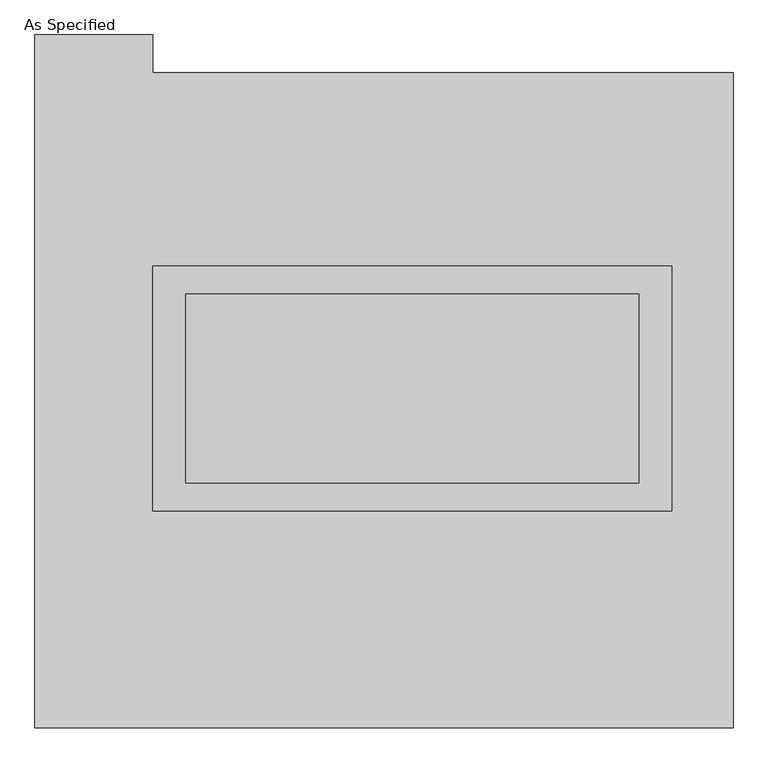
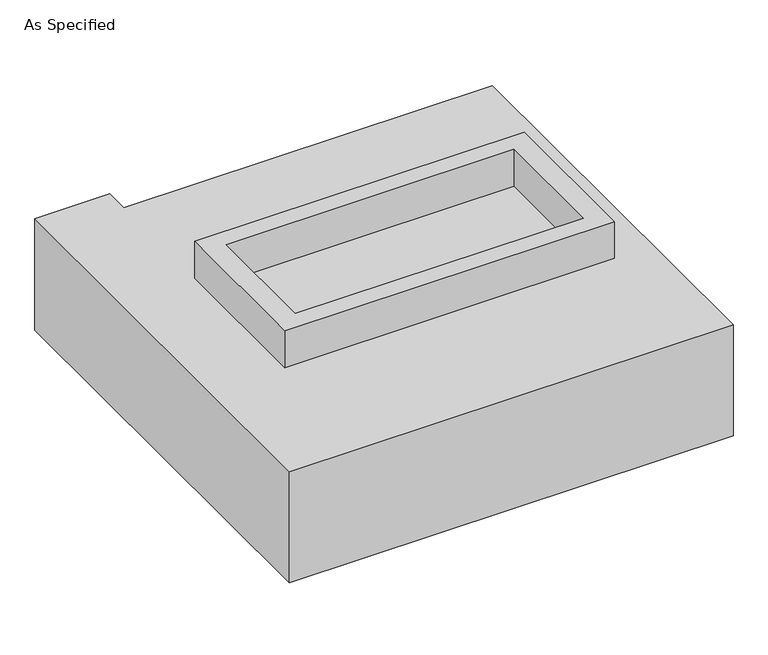
"""IFC4 building model written with IfcOpenShell, lengths in millimetres: proxy geometry, As Specified."""

import ifcopenshell
import ifcopenshell.guid

model = None  # the IFC model being written
_history = None  # IfcOwnerHistory: only IFC2X3 demands one
_inside = {}  # id of a spatial element -> (the spatial element, [elements in it])
_under = {}  # id of a project, library or spatial element -> (it, [spatial elements below it])
_declared = {}  # id of a project -> (the project, [libraries it declares])
_typed = {}  # id of a type object -> (the type object, [elements of that type])
_made_of = {}  # id of a material, layer set ... -> (it, [elements and type objects made of it])


def new_model(schema):
    """Start an empty IFC model of exactly this schema.

    Asked for "IFC4X3", IfcOpenShell would pick the latest addendum, in which some entities
    have other attributes; the version numbers below select the first issue.
    IFC2X3 requires an IfcOwnerHistory on every rooted entity: one is made here for all.
    """
    global model, _history
    if schema == "IFC4X3":
        model = ifcopenshell.file(schema_version=(4, 3, 0, 0))
    else:
        model = ifcopenshell.file(schema=schema)
    _inside.clear()
    _under.clear()
    _declared.clear()
    _typed.clear()
    _made_of.clear()
    _history = None
    if model.schema == "IFC2X3":
        org = make("IfcOrganization", Name="unknown")
        user = make(
            "IfcPersonAndOrganization",
            ThePerson=make("IfcPerson", FamilyName="unknown"),
            TheOrganization=org,
        )
        app = make(
            "IfcApplication",
            ApplicationDeveloper=org,
            Version="unknown",
            ApplicationFullName="unknown",
            ApplicationIdentifier="unknown",
        )
        _history = make(
            "IfcOwnerHistory",
            OwningUser=user,
            OwningApplication=app,
            ChangeAction="ADDED",
            CreationDate=0,
        )
    return model


def make(cls, **values):
    """One entity of the class cls with the attributes given. An attribute that is None is left unset."""
    return model.create_entity(
        cls, **{name: value for name, value in values.items() if value is not None}
    )


def rooted(cls, **values):
    """An entity with a GlobalId (a new one), such as an element, a storey or a relation."""
    return make(cls, GlobalId=ifcopenshell.guid.new(), OwnerHistory=_history, **values)


def si_unit(unit_type, name, prefix=None):
    """IfcSIUnit, for example si_unit("LENGTHUNIT", "METRE", prefix="MILLI")."""
    return make("IfcSIUnit", UnitType=unit_type, Prefix=prefix, Name=name)


def assignment(units):
    """IfcUnitAssignment: the units of a project."""
    return None if units is None else make("IfcUnitAssignment", Units=units)


def point(xyz):
    """IfcCartesianPoint."""
    return None if xyz is None else make("IfcCartesianPoint", Coordinates=xyz)


def direction(xyz):
    """IfcDirection."""
    return None if xyz is None else make("IfcDirection", DirectionRatios=xyz)


def frame(location, z_axis=None, x_axis=None):
    """IfcAxis2Placement3D, a coordinate frame: its origin and axes. An axis left out is left unset."""
    return make(
        "IfcAxis2Placement3D",
        Location=point(location),
        Axis=direction(z_axis),
        RefDirection=direction(x_axis),
    )


def origin():
    """The frame at (0, 0, 0) with its axes left unset."""
    return frame((0.0, 0.0, 0.0))


def place(relative_to, where):
    """IfcLocalPlacement: puts the frame where relative to a parent placement (None: the world)."""
    return make(
        "IfcLocalPlacement", PlacementRelTo=relative_to, RelativePlacement=where
    )


def context(
    kind, dimensions, precision=None, world=None, true_north=None, identifier=None
):
    """IfcGeometricRepresentationContext, for example the 3D "Model" context."""
    return make(
        "IfcGeometricRepresentationContext",
        ContextIdentifier=identifier,
        ContextType=kind,
        CoordinateSpaceDimension=dimensions,
        Precision=precision,
        WorldCoordinateSystem=world,
        TrueNorth=true_north,
    )


def project(units=None, contexts=None):
    """IfcProject with its units and contexts."""
    return rooted(
        "IfcProject",
        Name="project",
        RepresentationContexts=contexts,
        UnitsInContext=assignment(units),
    )


def spatial(cls, under=None, at=None, **own):
    """A site, building, storey or space (cls), placed at a placement, below another one or the project."""
    s = rooted(cls, ObjectPlacement=at, **own)
    if under is not None:
        _under.setdefault(under.id(), (under, []))[1].append(s)
    return s


def polyline(points):
    """IfcPolyline through the points."""
    return make("IfcPolyline", Points=[point(p) for p in points])


def outline(outer, holes=None, kind="AREA"):
    """IfcArbitraryClosedProfileDef: a profile drawn as a closed curve; with holes, ...WithVoids."""
    if holes is None:
        return make("IfcArbitraryClosedProfileDef", ProfileType=kind, OuterCurve=outer)
    return make(
        "IfcArbitraryProfileDefWithVoids",
        ProfileType=kind,
        OuterCurve=outer,
        InnerCurves=holes,
    )


def extrude(swept, where, along, depth):
    """IfcExtrudedAreaSolid: the profile swept, set in the frame where, extruded along a direction by depth."""
    return make(
        "IfcExtrudedAreaSolid",
        SweptArea=swept,
        Position=where,
        ExtrudedDirection=direction(along),
        Depth=depth,
    )


def shape(context_of_items, identifier, shape_type, items):
    """IfcShapeRepresentation: the items that make up one representation, for example the "Body"."""
    return make(
        "IfcShapeRepresentation",
        ContextOfItems=context_of_items,
        RepresentationIdentifier=identifier,
        RepresentationType=shape_type,
        Items=items,
    )


def source(mapping_origin, context_of_items, identifier, shape_type, items):
    """IfcRepresentationMap: a shape defined once, which mapped items show again and again."""
    return make(
        "IfcRepresentationMap",
        MappingOrigin=mapping_origin,
        MappedRepresentation=shape(context_of_items, identifier, shape_type, items),
    )


def transform(
    local_origin,
    x_axis=None,
    y_axis=None,
    z_axis=None,
    scale=None,
    scale2=None,
    scale3=None,
    uniform=True,
):
    """IfcCartesianTransformationOperator3D, or its non-uniform kind. x_axis, y_axis, z_axis: its Axis1, 2, 3."""
    if uniform:
        return make(
            "IfcCartesianTransformationOperator3D",
            Axis1=direction(x_axis),
            Axis2=direction(y_axis),
            LocalOrigin=point(local_origin),
            Scale=scale,
            Axis3=direction(z_axis),
        )
    return make(
        "IfcCartesianTransformationOperator3DnonUniform",
        Axis1=direction(x_axis),
        Axis2=direction(y_axis),
        LocalOrigin=point(local_origin),
        Scale=scale,
        Axis3=direction(z_axis),
        Scale2=scale2,
        Scale3=scale3,
    )


def mapped(mapping_source, mapping_target):
    """IfcMappedItem: shows the shape of a source again, moved by a transform."""
    return make(
        "IfcMappedItem", MappingSource=mapping_source, MappingTarget=mapping_target
    )


def made_of(thing, what):
    """Note that an element or type object is made of a material, layer set ...; save() writes the relation."""
    if what is not None:
        _made_of.setdefault(what.id(), (what, []))[1].append(thing)
    return thing


def element(
    cls,
    number,
    at=None,
    inside=None,
    cuts=None,
    type_object=None,
    material=None,
    context=None,
    identifier="Body",
    shape_type=None,
    held_by="IfcProductDefinitionShape",
    body=None,
    shapes=None,
    **own,
):
    """One element of the class cls, such as IfcWall. Its Tag is "e" and its number.

    at: its placement. inside: the storey or other place that contains it. cuts: it is an
    opening in that element (IfcRelVoidsElement). A single representation is given by context,
    identifier, shape_type and body (its items); several are given by shapes. held_by: the class
    of the entity that holds the representations. save() writes the other relations.
    """
    e = rooted(cls, Tag="e%d" % number, ObjectPlacement=at, **own)
    if body is not None:
        shapes = [shape(context, identifier, shape_type, body)]
    if shapes is not None:
        e.Representation = make(held_by, Representations=shapes)
    if inside is not None:
        _inside.setdefault(inside.id(), (inside, []))[1].append(e)
    if cuts is not None:
        rooted(
            "IfcRelVoidsElement", RelatingBuildingElement=cuts, RelatedOpeningElement=e
        )
    if type_object is not None:
        _typed.setdefault(type_object.id(), (type_object, []))[1].append(e)
    return made_of(e, material)


def aggregate(whole, parts):
    """IfcRelAggregates: a whole, such as a stair, and the parts it consists of."""
    return rooted("IfcRelAggregates", RelatingObject=whole, RelatedObjects=parts)


def save(model, path):
    """Write the relations noted so far, then the file.

    IfcRelAggregates (storeys below a building ...), IfcRelContainedInSpatialStructure (elements
    in a storey), IfcRelDefinesByType, IfcRelAssociatesMaterial and IfcRelDeclares: one each for
    every whole, place, type object, material and project.
    """
    for whole, parts in _under.values():
        aggregate(whole, parts)
    for where, things in _inside.values():
        rooted(
            "IfcRelContainedInSpatialStructure",
            RelatedElements=things,
            RelatingStructure=where,
        )
    for kind, things in _typed.values():
        rooted("IfcRelDefinesByType", RelatedObjects=things, RelatingType=kind)
    for what, things in _made_of.values():
        rooted("IfcRelAssociatesMaterial", RelatedObjects=things, RelatingMaterial=what)
    for by, libraries in _declared.values():
        rooted("IfcRelDeclares", RelatingContext=by, RelatedDefinitions=libraries)
    model.write(path)


def as_specified_00d7b917(model_context):
    return source(origin(), model_context, "Body", "SweptSolid", [
        extrude(outline(polyline([(698.5, 361.95), (698.5, -298.45), (-698.5, -298.45), (-698.5, 361.95), (698.5, 361.95)]), holes=[polyline([(609.6, 285.75), (-609.6, 285.75), (-609.6, -222.25), (609.6, -222.25), (609.6, 285.75)])]), frame((0.0, 0.0, -688.975), z_axis=(0.0, 0.0, 1.0), x_axis=(1.0, 0.0, 0.0)), (0.0, 0.0, 1.0), 165.1),
        extrude(outline(polyline([(698.5, 361.95), (698.5, -298.45), (-698.5, -298.45), (-698.5, 361.95), (698.5, 361.95)]), holes=[polyline([(609.6, 285.75), (-609.6, 285.75), (-609.6, -222.25), (609.6, -222.25), (609.6, 285.75)])]), frame((0.0, 0.0, -25.4), z_axis=(0.0, 0.0, 1.0), x_axis=(1.0, 0.0, 0.0)), (0.0, 0.0, 1.0), 165.1),
        extrude(outline(polyline([(609.6, 285.75), (609.6, -222.25), (-609.6, -222.25), (-609.6, 285.75), (609.6, 285.75)])), frame((0.0, 0.0, -523.875), z_axis=(0.0, 0.0, 1.0), x_axis=(1.0, 0.0, 0.0)), (0.0, 0.0, 1.0), 4.9609375),
        extrude(outline(polyline([(609.6, 285.75), (609.6, -222.25), (-609.6, -222.25), (-609.6, 285.75), (609.6, 285.75)])), frame((0.0, 0.0, -30.3609375), z_axis=(0.0, 0.0, 1.0), x_axis=(1.0, 0.0, 0.0)), (0.0, 0.0, 1.0), 4.9609375),
        extrude(outline(polyline([(863.6, -882.65), (-1016.0, -882.65), (-1016.0, 984.25), (-698.5, 984.25), (-698.5, 882.65), (863.6, 882.65), (863.6, -882.65)]), holes=[polyline([(-698.5, 361.95), (-698.5, -298.45), (698.5, -298.45), (698.5, 361.95), (-698.5, 361.95)])]), frame((0.0, 0.0, -523.875), z_axis=(0.0, 0.0, 1.0), x_axis=(1.0, 0.0, 0.0)), (0.0, 0.0, 1.0), 498.475),
    ])


if __name__ == "__main__":
    model = new_model("IFC4")
    model_context = context("Model", 3, world=origin())
    ifc_project = project(units=[si_unit("LENGTHUNIT", "METRE", prefix="MILLI")], contexts=[model_context])
    site = spatial("IfcSite", under=ifc_project)
    building = spatial("IfcBuilding", under=site)
    placement = place(None, origin())
    as_specified_shape = as_specified_00d7b917(model_context)
    element("IfcBuildingElementProxy", 1, Name="As Specified", ObjectType="As Specified", at=placement, inside=building, context=model_context, shape_type="MappedRepresentation", body=[
        mapped(as_specified_shape, transform((0.0, 0.0, 0.0), x_axis=(1.0, 0.0, 0.0), y_axis=(0.0, 1.0, 0.0), z_axis=(0.0, 0.0, 1.0))),
    ])
    save(model, "model.ifc")
